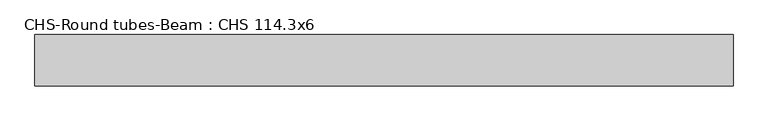
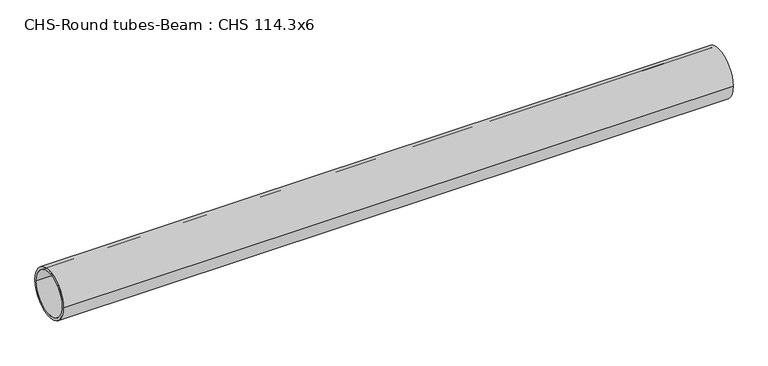
"""IFC4 building model written with IfcOpenShell, lengths in millimetres: beam geometry, CHS-Round tubes-Beam : CHS 114.3x6."""

from ifc_helpers import new_model, si_unit, point, frame, origin, origin_2d, place, context, project, spatial, circle_curve, trimmed, segment, composite_curve, outline, extrude, source, transform, mapped, element, save


def chs_round_tubes_beam_chs_114_3x6_75b339cd(model_context):
    return source(origin(), model_context, "Body", "SweptSolid", [
        extrude(outline(composite_curve([segment(trimmed(circle_curve(origin_2d(), 57.15), [point((57.15, 0.0))], [point((-57.15, 0.0))], False, "CARTESIAN"), True, "CONTINUOUS"), segment(trimmed(circle_curve(origin_2d(), 57.15), [point((-57.15, 0.0))], [point((57.15, 0.0))], False, "CARTESIAN"), True, "CONTINUOUS")], self_intersect=False), holes=[composite_curve([segment(trimmed(circle_curve(origin_2d(), 51.15), [point((51.15, 0.0))], [point((-51.15, 0.0))], True, "CARTESIAN"), True, "CONTINUOUS"), segment(trimmed(circle_curve(origin_2d(), 51.15), [point((-51.15, 0.0))], [point((51.15, 0.0))], True, "CARTESIAN"), True, "CONTINUOUS")], self_intersect=False)]), frame((-790.1162914, 0.0, 0.0), z_axis=(1.0, 0.0, 0.0), x_axis=(0.0, 1.0, 0.0)), (0.0, 0.0, 1.0), 1555.5434116),
    ])


if __name__ == "__main__":
    model = new_model("IFC4")
    model_context = context("Model", 3, world=origin())
    ifc_project = project(units=[si_unit("LENGTHUNIT", "METRE", prefix="MILLI")], contexts=[model_context])
    site = spatial("IfcSite", under=ifc_project)
    building = spatial("IfcBuilding", under=site)
    placement = place(None, origin())
    chs_round_tubes_beam_chs_114_3x6_shape = chs_round_tubes_beam_chs_114_3x6_75b339cd(model_context)
    element("IfcBeam", 1, ObjectType="CHS-Round tubes-Beam : CHS 114.3x6", at=placement, inside=building, context=model_context, shape_type="MappedRepresentation", body=[
        mapped(chs_round_tubes_beam_chs_114_3x6_shape, transform((0.0, 0.0, 0.0), x_axis=(1.0, 0.0, 0.0), y_axis=(0.0, 1.0, 0.0), z_axis=(0.0, 0.0, 1.0))),
    ])
    save(model, "model.ifc")
